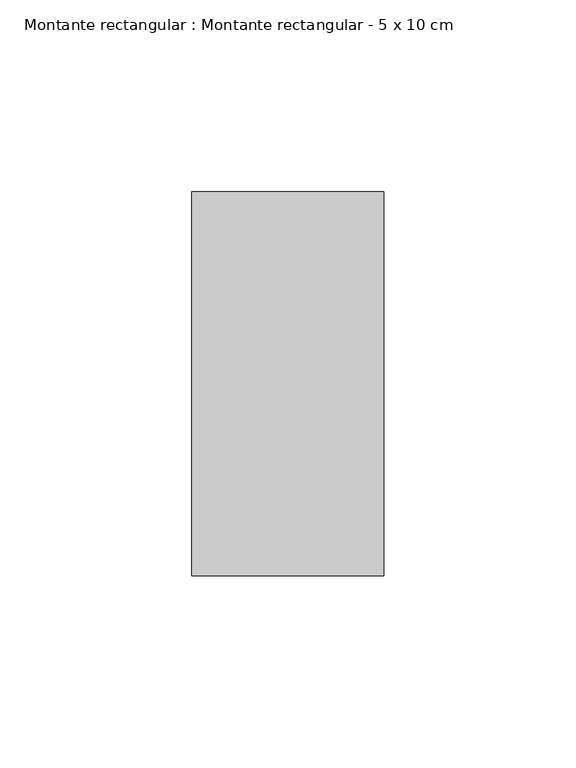
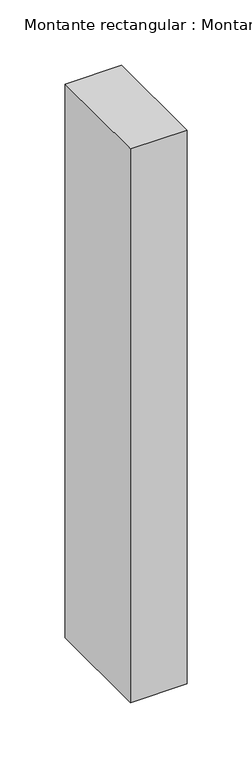
"""IFC4 building model written with IfcOpenShell, lengths in millimetres: member geometry, Montante rectangular : Montante rectangular - 5 x 10 cm."""

from ifc_helpers import new_model, si_unit, frame, origin, place, context, project, spatial, polyline, outline, extrude, source, transform, mapped, element, save


def montante_rectangular_montante_rectangular_5_x_10_cm_461d81a2(model_context):
    return source(origin(), model_context, "Body", "SweptSolid", [
        extrude(outline(polyline([(-50.0, 50.0), (0.0, 50.0), (0.0, -50.0), (-50.0, -50.0), (-50.0, 50.0)])), frame((0.0, 0.0, -517.6666667), z_axis=(0.0, 0.0, 1.0), x_axis=(1.0, 0.0, 0.0)), (0.0, 0.0, 1.0), 517.6666667),
    ])


if __name__ == "__main__":
    model = new_model("IFC4")
    model_context = context("Model", 3, world=origin())
    ifc_project = project(units=[si_unit("LENGTHUNIT", "METRE", prefix="MILLI")], contexts=[model_context])
    site = spatial("IfcSite", under=ifc_project)
    building = spatial("IfcBuilding", under=site)
    placement = place(None, origin())
    montante_rectangular_montante_rectangular_5_x_10_cm_shape = montante_rectangular_montante_rectangular_5_x_10_cm_461d81a2(model_context)
    element("IfcMember", 1, ObjectType="Montante rectangular : Montante rectangular - 5 x 10 cm", at=placement, inside=building, context=model_context, shape_type="MappedRepresentation", body=[
        mapped(montante_rectangular_montante_rectangular_5_x_10_cm_shape, transform((0.0, 0.0, 0.0), x_axis=(1.0, 0.0, 0.0), y_axis=(0.0, 1.0, 0.0), z_axis=(0.0, 0.0, 1.0))),
    ])
    save(model, "model.ifc")
